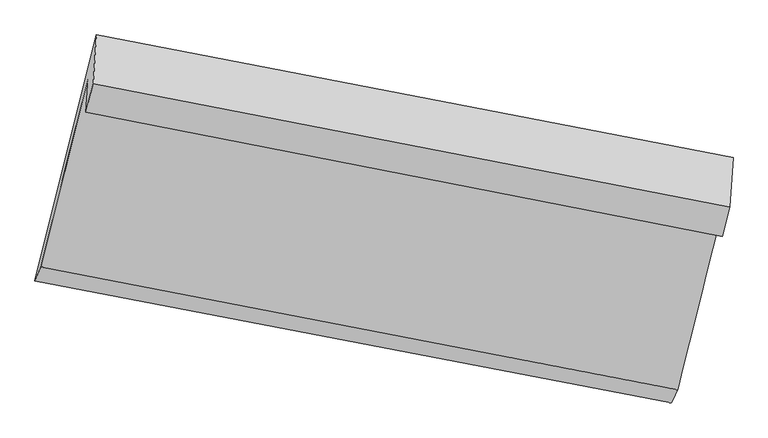
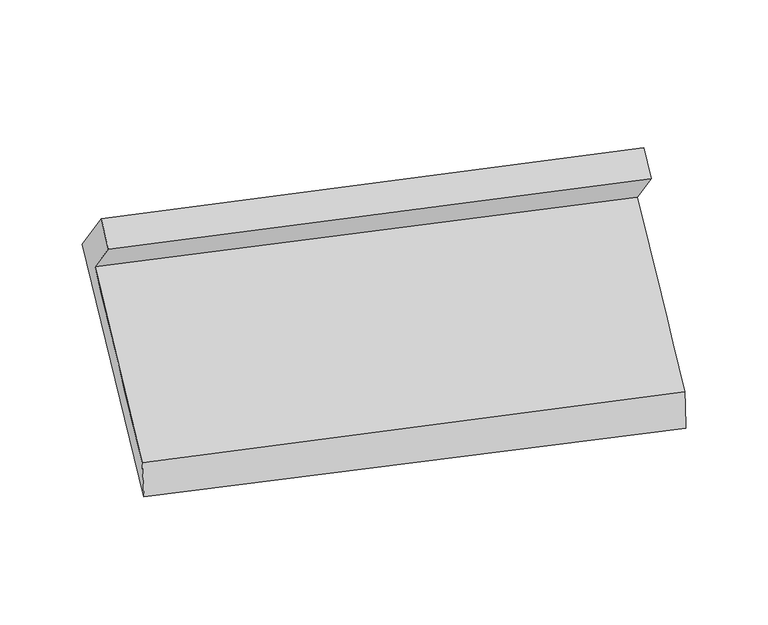
"""IFC4 building model written with IfcOpenShell, lengths in millimetres: proxy geometry."""

from ifc_helpers import new_model, si_unit, frame, origin, place, context, project, spatial, source, transform, mapped, element, save
from ifc_brep_helpers import plane_surface, spline_surface, advanced_brep


def generic_models_a5028e5d(model_context):
    return source(origin(), model_context, "Body", "AdvancedBrep", [
        advanced_brep(
        [(-4975.8851804, -868.2683335, 2651.698375), (-4960.8026234, -633.2030571, 2336.0645344), (-555.4045478, -1485.7373059, 1974.5459027), (-571.0108047, -1728.964571, 2301.1392516), (-5288.7164771, -1938.2870437, 1368.9221074), (-881.8336324, -2791.0344119, 1024.3788028), (-5329.4178419, -2036.2570678, 1117.1654085), (-923.4241081, -2879.8959542, 743.9798895), (-4903.9849317, -331.820455, 2348.8227626), (-497.1353662, -1182.7345307, 2000.1370293), (-4925.6481095, -669.4462878, 2802.1697646), (-518.967539, -1522.9941916, 2457.0206032)],
        [
            (0, 1),
            (1, 2),
            (2, 3),
            (3, 0),
            (1, 4),
            (4, 5),
            (5, 2),
            (4, 6),
            (6, 7),
            (7, 5),
            (6, 8),
            (8, 9),
            (9, 7),
            (8, 10),
            (10, 11),
            (11, 9),
            (10, 0),
            (3, 11),
        ],
        [
            plane_surface(frame((-4968.3439019, -750.7356953, 2493.8814547), z_axis=(-0.19972139327843572, -0.781265882640342, -0.591383957923385), x_axis=(0.03829640709375135, 0.5968587109841849, -0.8014318837717945))),
            spline_surface(1, 1, [[(-4960.8026234, -633.2030571, 2336.0645344), (-555.4045478, -1485.7373059, 1974.5459027)], [(-5288.7164771, -1938.2870437, 1368.9221074), (-881.8336324, -2791.0344119, 1024.3788028)]], [2, 2], [2, 2], [0.0, 1.0], [0.0, 1.0]),
            spline_surface(1, 1, [[(-5288.7164771, -1938.2870437, 1368.9221074), (-881.8336324, -2791.0344119, 1024.3788028)], [(-5329.4178419, -2036.2570678, 1117.1654085), (-923.4241081, -2879.8959542, 743.9798895)]], [2, 2], [2, 2], [0.0, 1.0], [0.0, 1.0]),
            spline_surface(1, 1, [[(-5329.4178419, -2036.2570678, 1117.1654085), (-923.4241081, -2879.8959542, 743.9798895)], [(-4903.9849317, -331.820455, 2348.8227626), (-497.1353662, -1182.7345307, 2000.1370293)]], [2, 2], [2, 2], [0.0, 1.0], [0.0, 1.0]),
            plane_surface(frame((-4914.8165206, -500.6333714, 2575.4962636), z_axis=(0.19773186572829524, 0.7816354599604998, 0.5915641275533413), x_axis=(-0.038296407093751386, -0.5968587109841851, 0.8014318837717943))),
            plane_surface(frame((-4950.7666449, -768.8573107, 2726.9340698), z_axis=(-0.05223435642172422, -0.5942228825780163, 0.8026024780860582), x_axis=(-0.1975090089261616, -0.7816766478314824, -0.5915841526173113))),
            plane_surface(frame((-657.9626664, -1931.8934942, 1750.2002465), z_axis=(0.9795527431418463, -0.18094556462443834, -0.08794956535439932), x_axis=(-0.038296407093751386, -0.5968587109841851, 0.8014318837717943))),
            plane_surface(frame((-5064.0758607, -1079.5470408, 2104.1404921), z_axis=(-0.9795527431418454, 0.18094556462444097, 0.08794956535440306), x_axis=(0.19750900892616532, 0.781676647831472, 0.5915841526173239))),
        ],
        [
            (0, [[1, 2, 3, 4]]),
            (1, [[5, 6, 7, -2]]),
            (2, [[8, 9, 10, -6]]),
            (3, [[11, 12, 13, -9]]),
            (4, [[14, 15, 16, -12]]),
            (5, [[17, -4, 18, -15]]),
            (6, [[-16, -18, -3, -7, -10, -13]]),
            (7, [[-17, -14, -11, -8, -5, -1]]),
        ],
    ),
    ])


if __name__ == "__main__":
    model = new_model("IFC4")
    model_context = context("Model", 3, world=origin())
    ifc_project = project(units=[si_unit("LENGTHUNIT", "METRE", prefix="MILLI")], contexts=[model_context])
    site = spatial("IfcSite", under=ifc_project)
    building = spatial("IfcBuilding", under=site)
    placement = place(None, origin())
    generic_models_shape = generic_models_a5028e5d(model_context)
    element("IfcBuildingElementProxy", 1, Name="Generic Models", at=placement, inside=building, context=model_context, shape_type="MappedRepresentation", body=[
        mapped(generic_models_shape, transform((0.0, 0.0, 0.0), x_axis=(1.0, 0.0, 0.0), y_axis=(0.0, 1.0, 0.0), z_axis=(0.0, 0.0, 1.0))),
    ])
    save(model, "model.ifc")
